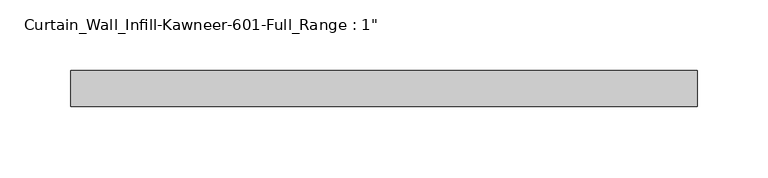
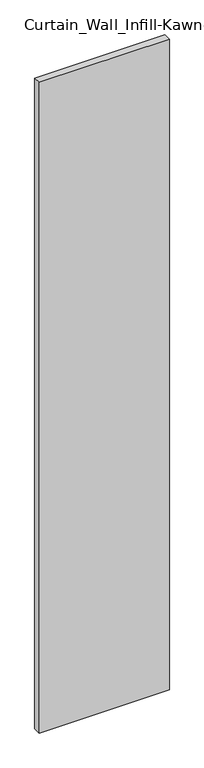
"""IFC4 building model written with IfcOpenShell, lengths in millimetres: plate geometry."""

from ifc_helpers import new_model, si_unit, origin, origin_with_axes, place, context, project, spatial, polyline, outline, extrude, source, transform, mapped, element, save


def plate_bcd71e71(model_context):
    return source(origin(), model_context, "Body", "SweptSolid", [
        extrude(outline(polyline([(-220.6625, 12.7), (220.6625, 12.7), (220.6625, -12.7), (-220.6625, -12.7), (-220.6625, 12.7)])), origin_with_axes(), (0.0, 0.0, 1.0), 2330.45),
    ])


if __name__ == "__main__":
    model = new_model("IFC4")
    model_context = context("Model", 3, world=origin())
    ifc_project = project(units=[si_unit("LENGTHUNIT", "METRE", prefix="MILLI")], contexts=[model_context])
    site = spatial("IfcSite", under=ifc_project)
    building = spatial("IfcBuilding", under=site)
    placement = place(None, origin())
    plate_shape = plate_bcd71e71(model_context)
    element("IfcPlate", 1, ObjectType="Curtain_Wall_Infill-Kawneer-601-Full_Range : 1\"", at=placement, inside=building, context=model_context, shape_type="MappedRepresentation", body=[
        mapped(plate_shape, transform((0.0, 0.0, 0.0), x_axis=(1.0, 0.0, 0.0), y_axis=(0.0, 1.0, 0.0), z_axis=(0.0, 0.0, 1.0))),
    ])
    save(model, "model.ifc")
